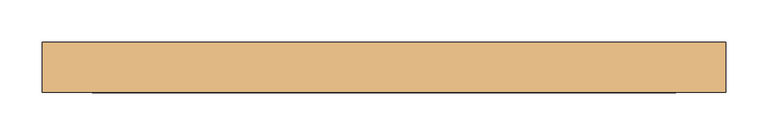
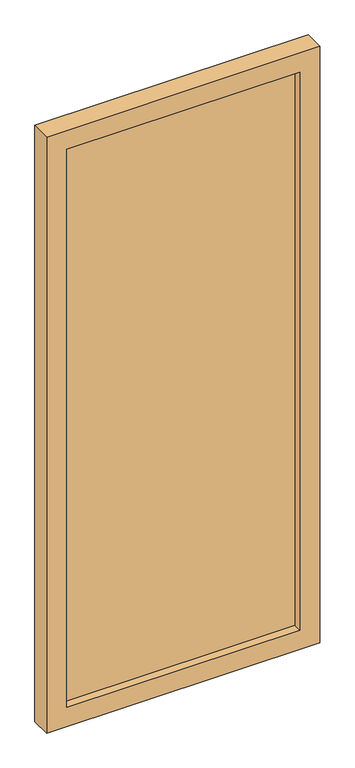
"""IFC4 building model written with IfcOpenShell, lengths in millimetres: door geometry."""

from ifc_helpers import new_model, si_unit, frame, origin, place, context, project, spatial, polyline, outline, extrude, source, transform, mapped, element, save


def door_db44b273(model_context):
    return source(origin(), model_context, "Body", "SweptSolid", [
        extrude(outline(polyline([(346.6666667, -5.0), (-346.6666667, -5.0), (-346.6666667, 5.0), (346.6666667, 5.0), (346.6666667, -5.0)])), frame((0.0, 0.0, 60.0), z_axis=(0.0, 0.0, 1.0), x_axis=(1.0, 0.0, 0.0)), (0.0, 0.0, 1.0), 1755.0),
        extrude(outline(polyline([(1875.0, -406.6666667), (0.0, -406.6666667), (0.0, 406.6666667), (1875.0, 406.6666667), (1875.0, -406.6666667)]), holes=[polyline([(1815.0, 346.6666667), (60.0, 346.6666667), (60.0, -346.6666667), (1815.0, -346.6666667), (1815.0, 346.6666667)])]), frame((0.0, -30.0, 0.0), z_axis=(0.0, 1.0, 0.0), x_axis=(0.0, 0.0, 1.0)), (0.0, 0.0, 1.0), 60.0),
    ])


if __name__ == "__main__":
    model = new_model("IFC4")
    model_context = context("Model", 3, world=origin())
    ifc_project = project(units=[si_unit("LENGTHUNIT", "METRE", prefix="MILLI")], contexts=[model_context])
    site = spatial("IfcSite", under=ifc_project)
    building = spatial("IfcBuilding", under=site)
    placement = place(None, origin())
    door_shape = door_db44b273(model_context)
    element("IfcDoor", 1, at=placement, inside=building, context=model_context, shape_type="MappedRepresentation", body=[
        mapped(door_shape, transform((0.0, 0.0, 0.0), x_axis=(1.0, 0.0, 0.0), y_axis=(0.0, 1.0, 0.0), z_axis=(0.0, 0.0, 1.0))),
    ])
    save(model, "model.ifc")
